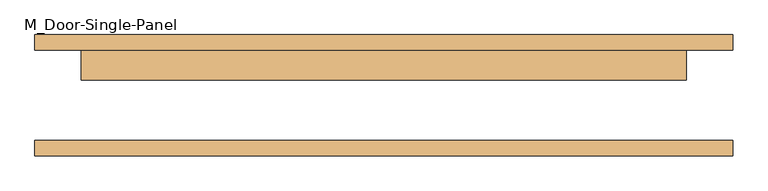
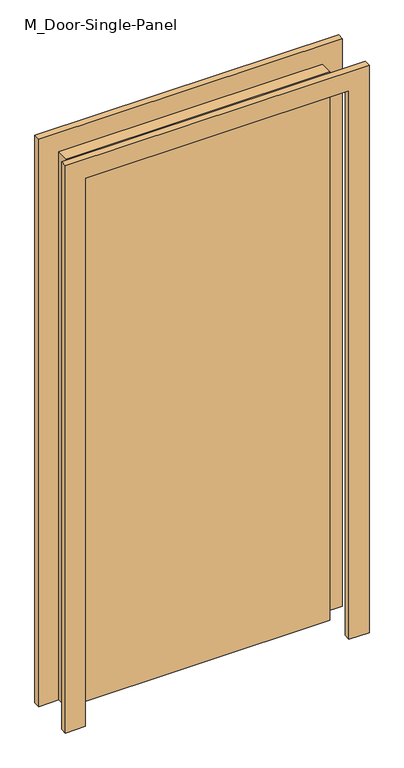
"""IFC4 building model written with IfcOpenShell, lengths in millimetres: door geometry, M_Door-Single-Panel."""

from ifc_helpers import new_model, si_unit, frame, origin, origin_with_axes, place, context, project, spatial, polyline, outline, extrude, source, transform, mapped, element, save


def m_door_single_panel_1360f7b2(model_context):
    return source(origin(), model_context, "Body", "SweptSolid", [
        extrude(outline(polyline([(500.0, 25.0), (-500.0, 25.0), (-500.0, 75.0), (500.0, 75.0), (500.0, 25.0)])), origin_with_axes(), (0.0, 0.0, 1.0), 2200.0),
        extrude(outline(polyline([(2276.2, -576.2), (0.0, -576.2), (0.0, -500.0), (2200.0, -500.0), (2200.0, 500.0), (0.0, 500.0), (0.0, 576.2), (2276.2, 576.2), (2276.2, -576.2)])), frame((0.0, 75.0, 0.0), z_axis=(0.0, 1.0, 0.0), x_axis=(0.0, 0.0, 1.0)), (0.0, 0.0, 1.0), 25.0),
        extrude(outline(polyline([(2276.2, 576.2), (2276.2, -576.2), (0.0, -576.2), (0.0, -500.0), (2200.0, -500.0), (2200.0, 500.0), (0.0, 500.0), (0.0, 576.2), (2276.2, 576.2)])), frame((0.0, -100.0, 0.0), z_axis=(0.0, 1.0, 0.0), x_axis=(0.0, 0.0, 1.0)), (0.0, 0.0, 1.0), 25.0),
    ])


if __name__ == "__main__":
    model = new_model("IFC4")
    model_context = context("Model", 3, world=origin())
    ifc_project = project(units=[si_unit("LENGTHUNIT", "METRE", prefix="MILLI")], contexts=[model_context])
    site = spatial("IfcSite", under=ifc_project)
    building = spatial("IfcBuilding", under=site)
    placement = place(None, origin())
    m_door_single_panel_shape = m_door_single_panel_1360f7b2(model_context)
    element("IfcDoor", 1, ObjectType="M_Door-Single-Panel", at=placement, inside=building, context=model_context, shape_type="MappedRepresentation", body=[
        mapped(m_door_single_panel_shape, transform((0.0, 0.0, 0.0), x_axis=(1.0, 0.0, 0.0), y_axis=(0.0, 1.0, 0.0), z_axis=(0.0, 0.0, 1.0))),
    ])
    save(model, "model.ifc")
